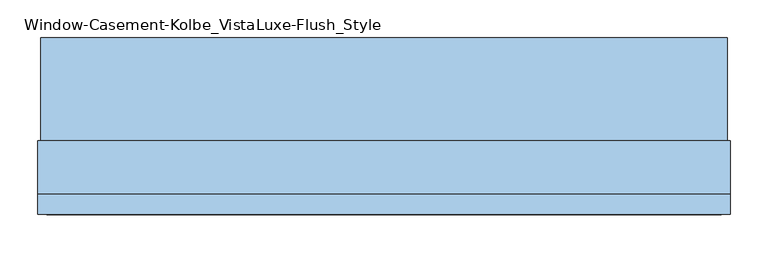
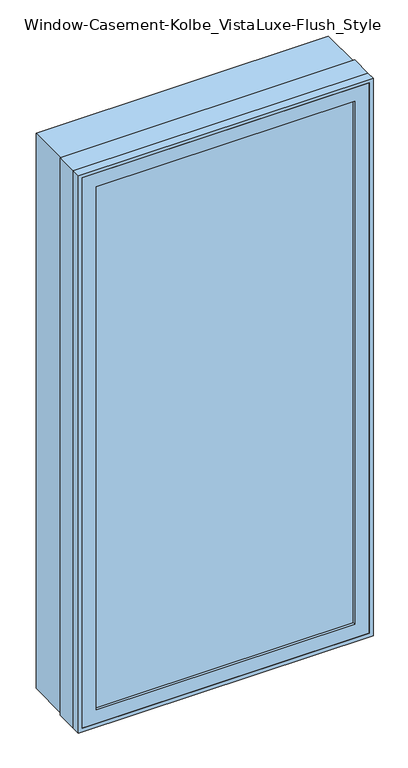
"""IFC4 building model written with IfcOpenShell, lengths in millimetres: window geometry, Window-Casement-Kolbe_VistaLuxe-Flush_Style."""

from ifc_helpers import new_model, si_unit, frame, origin, place, context, project, spatial, polyline, outline, extrude, faceted_brep, source, transform, mapped, element, save


def window_casement_kolbe_vistaluxe_flush_style_750ee87d(model_context):
    return source(origin(), model_context, "Body", "SolidModel", [
        faceted_brep([(-406.4696599, -121.37898, 970.676875), (-406.4696599, -129.31648, 970.676875), (395.3765901, -129.31648, 970.676875), (395.3765901, -121.37898, 970.676875), (-422.3446599, -99.12858, 954.801875), (-422.3446599, -121.37898, 954.801875), (411.2515901, -121.37898, 954.801875), (411.2515901, -99.12858, 954.801875), (-406.4696599, -80.10398, 970.676875), (-406.4696599, -99.12858, 970.676875), (395.3765901, -99.12858, 970.676875), (395.3765901, -80.10398, 970.676875), (-450.9196599, -129.31648, 926.226875), (-450.9196599, -80.10398, 926.226875), (439.8265901, -80.10398, 926.226875), (439.8265901, -129.31648, 926.226875), (395.3765901, -129.31648, 2686.923125), (395.3765901, -121.37898, 2686.923125), (411.2515901, -121.37898, 2702.798125), (411.2515901, -99.12858, 2702.798125), (395.3765901, -99.12858, 2686.923125), (395.3765901, -80.10398, 2686.923125), (439.8265901, -80.10398, 2731.373125), (439.8265901, -129.31648, 2731.373125), (-406.4696599, -129.31648, 2686.923125), (-406.4696599, -121.37898, 2686.923125), (-422.3446599, -121.37898, 2702.798125), (-422.3446599, -99.12858, 2702.798125), (-406.4696599, -99.12858, 2686.923125), (-406.4696599, -80.10398, 2686.923125), (-450.9196599, -80.10398, 2731.373125), (-450.9196599, -129.31648, 2731.373125)], [[[0, 1, 2, 3]], [[4, 5, 6, 7]], [[8, 9, 10, 11]], [[12, 13, 14, 15]], [[3, 2, 16, 17]], [[7, 6, 18, 19]], [[11, 10, 20, 21]], [[15, 14, 22, 23]], [[17, 16, 24, 25]], [[19, 18, 26, 27]], [[21, 20, 28, 29]], [[23, 22, 30, 31]], [[25, 24, 1, 0]], [[5, 26, 18, 6], [3, 17, 25, 0]], [[27, 26, 5, 4]], [[7, 19, 27, 4], [9, 28, 20, 10]], [[29, 28, 9, 8]], [[13, 30, 22, 14], [11, 21, 29, 8]], [[31, 30, 13, 12]], [[15, 23, 31, 12], [1, 24, 16, 2]]]),
        extrude(outline(polyline([(2739.6186, 448.0720651), (2739.6186, -459.1651349), (917.9814, -459.1651349), (917.9814, 448.0720651), (2739.6186, 448.0720651)]), holes=[polyline([(936.545625, 429.5078401), (936.545625, -440.6009099), (2721.054375, -440.6009099), (2721.054375, 429.5078401), (936.545625, 429.5078401)])]), frame((0.0, -32.5247, 0.0), z_axis=(0.0, 1.0, 0.0), x_axis=(0.0, 0.0, 1.0)), (0.0, 0.0, 1.0), 135.7122),
        extrude(outline(polyline([(2743.2, -462.7465349), (914.4, -462.7465349), (914.4, 451.6534651), (2743.2, 451.6534651), (2743.2, -462.7465349)]), holes=[polyline([(2731.373125, 439.8265901), (926.226875, 439.8265901), (926.226875, -450.9196599), (2731.373125, -450.9196599), (2731.373125, 439.8265901)])]), frame((0.0, -130.1115, 0.0), z_axis=(0.0, 1.0, 0.0), x_axis=(0.0, 0.0, 1.0)), (0.0, 0.0, 1.0), 26.924),
        faceted_brep([(451.6534651, -32.5247, 914.4), (451.6534651, -103.1875, 914.4), (-462.7465349, -103.1875, 914.4), (-462.7465349, -32.5247, 914.4), (429.5078401, -80.10525, 936.545625), (429.5078401, -32.5247, 936.545625), (-440.6009099, -32.5247, 936.545625), (-440.6009099, -80.10525, 936.545625), (439.8265901, -103.1875, 926.226875), (439.8265901, -80.10525, 926.226875), (-450.9196599, -80.10525, 926.226875), (-450.9196599, -103.1875, 926.226875), (-462.7465349, -103.1875, 2743.2), (-462.7465349, -32.5247, 2743.2), (-440.6009099, -32.5247, 2721.054375), (-440.6009099, -80.10525, 2721.054375), (-450.9196599, -80.10525, 2731.373125), (-450.9196599, -103.1875, 2731.373125), (451.6534651, -103.1875, 2743.2), (451.6534651, -32.5247, 2743.2), (429.5078401, -32.5247, 2721.054375), (429.5078401, -80.10525, 2721.054375), (439.8265901, -80.10525, 2731.373125), (439.8265901, -103.1875, 2731.373125)], [[[0, 1, 2, 3]], [[4, 5, 6, 7]], [[8, 9, 10, 11]], [[3, 2, 12, 13]], [[7, 6, 14, 15]], [[11, 10, 16, 17]], [[13, 12, 18, 19]], [[15, 14, 20, 21]], [[17, 16, 22, 23]], [[19, 18, 1, 0]], [[3, 13, 19, 0], [5, 20, 14, 6]], [[21, 20, 5, 4]], [[9, 22, 16, 10], [7, 15, 21, 4]], [[23, 22, 9, 8]], [[1, 18, 12, 2], [11, 17, 23, 8]]]),
        extrude(outline(polyline([(408.0765901, -102.30358), (-419.1696599, -102.30358), (-419.1696599, -99.12858), (408.0765901, -99.12858), (408.0765901, -102.30358)])), frame((0.0, 0.0, 957.976875), z_axis=(0.0, 0.0, 1.0), x_axis=(1.0, 0.0, 0.0)), (0.0, 0.0, 1.0), 1741.64625),
        extrude(outline(polyline([(408.0765901, -118.20398), (408.0765901, -121.37898), (-419.1696599, -121.37898), (-419.1696599, -118.20398), (408.0765901, -118.20398)])), frame((0.0, 0.0, 957.976875), z_axis=(0.0, 0.0, 1.0), x_axis=(1.0, 0.0, 0.0)), (0.0, 0.0, 1.0), 1741.64625),
        extrude(outline(polyline([(936.545625, 429.5078401), (2721.054375, 429.5078401), (2721.054375, -440.6009099), (936.545625, -440.6009099), (936.545625, 429.5078401)]), holes=[polyline([(954.801875, -422.3446599), (2702.798125, -422.3446599), (2702.798125, 411.2515901), (954.801875, 411.2515901), (954.801875, -422.3446599)])]), frame((0.0, -80.10525, 0.0), z_axis=(0.0, 1.0, 0.0), x_axis=(0.0, 0.0, 1.0)), (0.0, 0.0, 1.0), 50.8),
    ])


if __name__ == "__main__":
    model = new_model("IFC4")
    model_context = context("Model", 3, world=origin())
    ifc_project = project(units=[si_unit("LENGTHUNIT", "METRE", prefix="MILLI")], contexts=[model_context])
    site = spatial("IfcSite", under=ifc_project)
    building = spatial("IfcBuilding", under=site)
    placement = place(None, origin())
    window_casement_kolbe_vistaluxe_flush_style_shape = window_casement_kolbe_vistaluxe_flush_style_750ee87d(model_context)
    element("IfcWindow", 1, ObjectType="Window-Casement-Kolbe_VistaLuxe-Flush_Style", at=placement, inside=building, context=model_context, shape_type="MappedRepresentation", body=[
        mapped(window_casement_kolbe_vistaluxe_flush_style_shape, transform((0.0, 0.0, 0.0), x_axis=(1.0, 0.0, 0.0), y_axis=(0.0, 1.0, 0.0), z_axis=(0.0, 0.0, 1.0))),
    ])
    save(model, "model.ifc")
